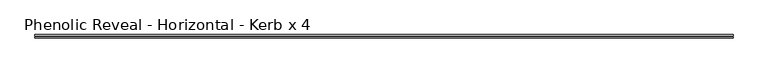
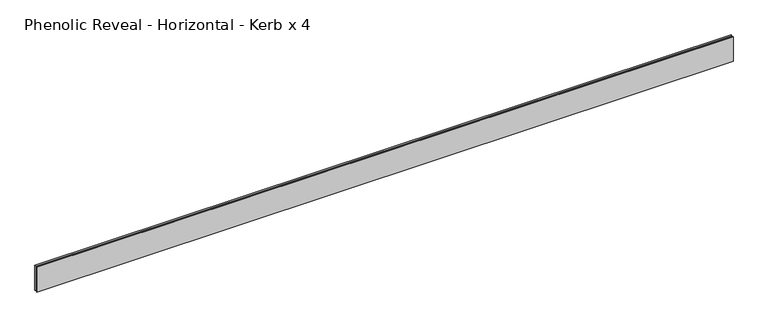
"""IFC4 building model written with IfcOpenShell, lengths in millimetres: proxy geometry, Phenolic Reveal - Horizontal - Kerb x 4."""

from ifc_helpers import new_model, si_unit, origin, place, context, project, spatial, faceted_brep, source, transform, mapped, element, save


def phenolic_reveal_horizontal_kerb_x_4_7ff1b795(model_context):
    return source(origin(), model_context, "Body", "Brep", [
        faceted_brep([(2033.5875, 9.525, 76.2), (2033.5875, 6.0765851, 76.2), (2033.5875, 6.0765851, 0.0), (2033.5875, 9.525, 0.0), (2033.5875, 3.3757545, 0.0), (2033.5875, 3.3757545, 76.2), (2033.5875, 0.0, 76.2), (2033.5875, 0.0, 0.0), (0.0, 9.525, 76.2), (0.0, 9.525, 0.0), (0.0, 6.0765851, 0.0), (0.0, 6.0765851, 76.2), (0.0, 3.3757545, 76.2), (0.0, 3.3757545, 0.0), (0.0, 0.0, 0.0), (0.0, 0.0, 76.2), (2022.475, 6.0765851, 65.3591015), (2022.475, 6.0765851, 10.8408985), (11.1125, 6.0765851, 10.8408985), (11.1125, 6.0765851, 65.3591015), (11.1125, 3.3757545, 65.3591015), (2022.475, 3.3757545, 65.3591015), (11.1125, 3.3757545, 10.8408985), (2022.475, 3.3757545, 10.8408985)], [[[0, 1, 2, 3]], [[4, 5, 6, 7]], [[8, 9, 10, 11]], [[12, 13, 14, 15]], [[11, 1, 0, 8]], [[2, 1, 11, 10], [16, 17, 18, 19]], [[16, 19, 20, 21]], [[5, 4, 13, 12], [20, 22, 23, 21]], [[6, 5, 12, 15]], [[7, 6, 15, 14]], [[13, 4, 7, 14]], [[23, 22, 18, 17]], [[3, 2, 10, 9]], [[0, 3, 9, 8]], [[21, 23, 17, 16]], [[22, 20, 19, 18]]]),
    ])


if __name__ == "__main__":
    model = new_model("IFC4")
    model_context = context("Model", 3, world=origin())
    ifc_project = project(units=[si_unit("LENGTHUNIT", "METRE", prefix="MILLI")], contexts=[model_context])
    site = spatial("IfcSite", under=ifc_project)
    building = spatial("IfcBuilding", under=site)
    placement = place(None, origin())
    phenolic_reveal_horizontal_kerb_x_4_shape = phenolic_reveal_horizontal_kerb_x_4_7ff1b795(model_context)
    element("IfcBuildingElementProxy", 1, Name="Phenolic Reveal - Horizontal - Kerb x 4", ObjectType="Phenolic Reveal - Horizontal - Kerb x 4", at=placement, inside=building, context=model_context, shape_type="MappedRepresentation", body=[
        mapped(phenolic_reveal_horizontal_kerb_x_4_shape, transform((0.0, 0.0, 0.0), x_axis=(1.0, 0.0, 0.0), y_axis=(0.0, 1.0, 0.0), z_axis=(0.0, 0.0, 1.0))),
    ])
    save(model, "model.ifc")
